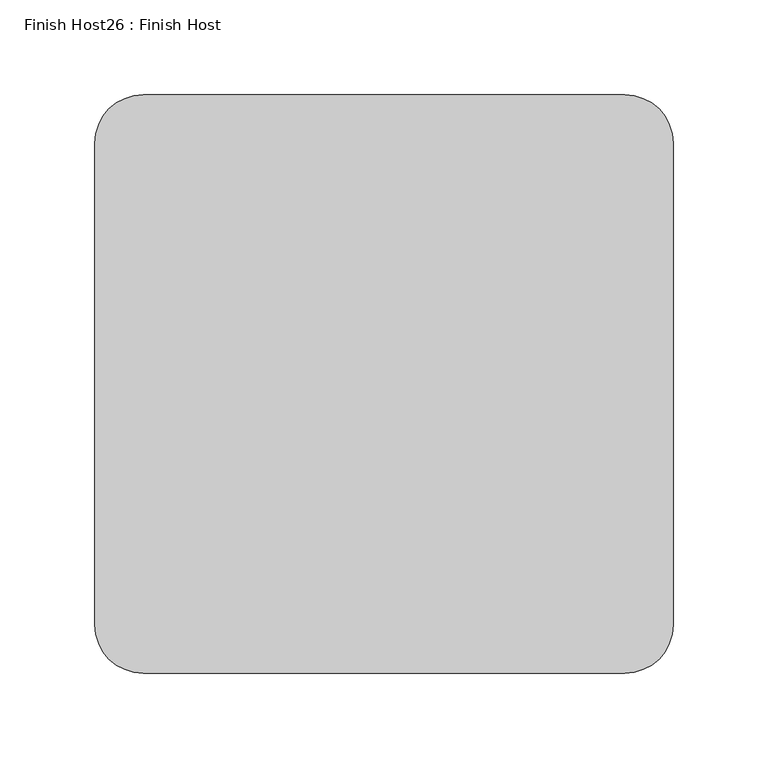
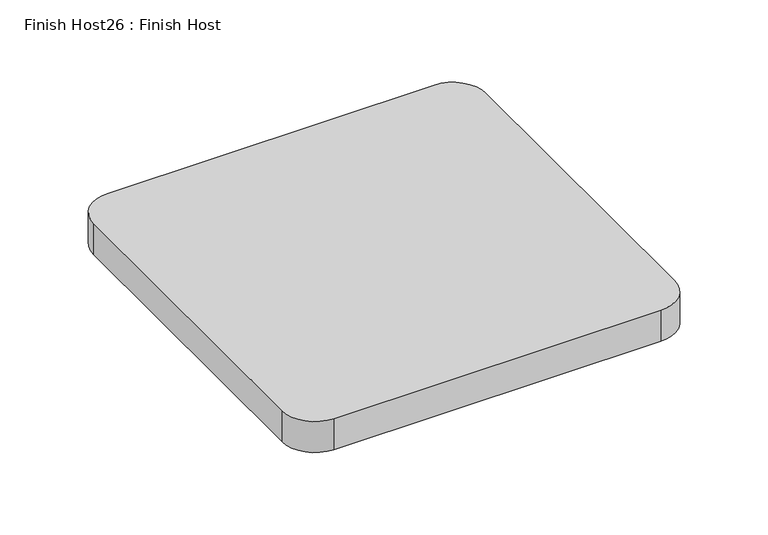
"""IFC4 building model written with IfcOpenShell, lengths in millimetres: proxy geometry, Finish Host26 : Finish Host."""

from ifc_helpers import new_model, si_unit, point, frame_2d, origin, origin_with_axes, place, context, project, spatial, polyline, circle_curve, trimmed, segment, composite_curve, outline, extrude, source, transform, mapped, element, save


def finish_host26_finish_host_602a51fa(model_context):
    return source(origin(), model_context, "Body", "SweptSolid", [
        extrude(outline(composite_curve([segment(polyline([(10334.7478493, 1206.8122951), (10334.7478493, 1460.8122951)]), True, "CONTINUOUS"), segment(trimmed(circle_curve(frame_2d((10360.1478493, 1460.8122951)), 25.4), [point((10334.7478493, 1460.8122951))], [point((10360.1478493, 1486.2122951))], False, "CARTESIAN"), True, "CONTINUOUS"), segment(polyline([(10360.1478493, 1486.2122951), (10614.1478493, 1486.2122951)]), True, "CONTINUOUS"), segment(trimmed(circle_curve(frame_2d((10614.1478493, 1460.8122951)), 25.4), [point((10614.1478493, 1486.2122951))], [point((10639.5478493, 1460.8122951))], False, "CARTESIAN"), True, "CONTINUOUS"), segment(polyline([(10639.5478493, 1460.8122951), (10639.5478493, 1206.8122951)]), True, "CONTINUOUS"), segment(trimmed(circle_curve(frame_2d((10614.1478493, 1206.8122951)), 25.4), [point((10639.5478493, 1206.8122951))], [point((10614.1478493, 1181.4122951))], False, "CARTESIAN"), True, "CONTINUOUS"), segment(polyline([(10614.1478493, 1181.4122951), (10360.1478493, 1181.4122951)]), True, "CONTINUOUS"), segment(trimmed(circle_curve(frame_2d((10360.1478493, 1206.8122951)), 25.4), [point((10360.1478493, 1181.4122951))], [point((10334.7478493, 1206.8122951))], False, "CARTESIAN"), True, "CONTINUOUS")], self_intersect=False)), origin_with_axes(), (0.0, 0.0, 1.0), 25.4),
    ])


if __name__ == "__main__":
    model = new_model("IFC4")
    model_context = context("Model", 3, world=origin())
    ifc_project = project(units=[si_unit("LENGTHUNIT", "METRE", prefix="MILLI")], contexts=[model_context])
    site = spatial("IfcSite", under=ifc_project)
    building = spatial("IfcBuilding", under=site)
    placement = place(None, origin())
    finish_host26_finish_host_shape = finish_host26_finish_host_602a51fa(model_context)
    element("IfcBuildingElementProxy", 1, Name="Finish Host26 : Finish Host", ObjectType="Finish Host26 : Finish Host", at=placement, inside=building, context=model_context, shape_type="MappedRepresentation", body=[
        mapped(finish_host26_finish_host_shape, transform((0.0, 0.0, 0.0), x_axis=(1.0, 0.0, 0.0), y_axis=(0.0, 1.0, 0.0), z_axis=(0.0, 0.0, 1.0))),
    ])
    save(model, "model.ifc")
